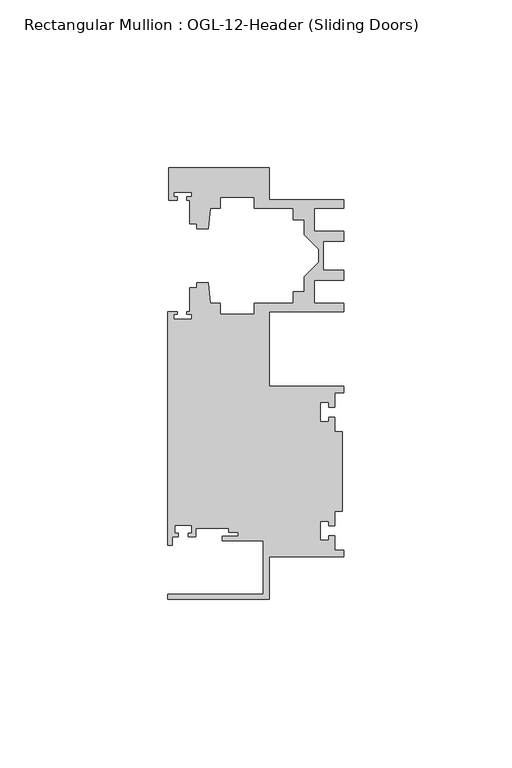
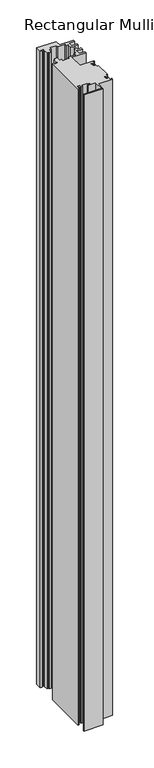
"""IFC4 building model written with IfcOpenShell, lengths in millimetres: member geometry, Rectangular Mullion : OGL-12-Header (Sliding Doors)."""

from ifc_helpers import new_model, si_unit, frame, origin, place, context, project, spatial, polyline, outline, extrude, source, transform, mapped, element, save


def rectangular_mullion_ogl_12_header_sliding_doors_c925f004(model_context):
    return source(origin(), model_context, "Body", "SweptSolid", [
        extrude(outline(polyline([(0.0, -25.4), (-22.2332898, -25.4), (-22.2332898, -38.0996792), (-52.3921824, -38.0996792), (-52.3921824, -36.512516), (-24.0747898, -36.512516), (-24.0747898, -20.5916734), (-36.2104247, -20.5916734), (-36.2104247, -19.3006707), (-31.5444935, -19.3006707), (-31.5444935, -18.1510261), (-34.2833684, -18.1510261), (-34.2833684, -16.8641675), (-44.1094055, -16.8641675), (-44.1094055, -19.4824275), (-46.3304245, -19.4824275), (-46.3304245, -18.4751625), (-45.359407, -18.4751625), (-45.359407, -15.9751675), (-50.359397, -15.9751675), (-50.359397, -18.4751625), (-49.3568347, -18.4751625), (-49.3568347, -19.4824275), (-51.1362531, -19.4824275), (-51.1362531, -21.9710976), (-52.3921824, -21.9710976), (-52.3921824, 47.583496), (-49.5910554, 47.583496), (-49.5910554, 46.7096046), (-50.6220715, 46.7096046), (-50.6220715, 45.3318149), (-45.3220715, 45.3318149), (-45.3220715, 46.7096046), (-46.769305, 46.7096046), (-46.769305, 47.583496), (-45.9710366, 47.583496), (-45.9710366, 54.6622994), (-43.7582575, 54.6622994), (-43.7582575, 56.213352), (-40.3395523, 56.213352), (-39.7961967, 50.0027691), (-36.8419772, 50.0027691), (-36.8419772, 46.838352), (-26.7462575, 46.838352), (-26.7462575, 50.013352), (-15.0768765, 50.013352), (-15.0768765, 53.413352), (-11.8582575, 53.413352), (-11.8582575, 57.8946468), (-7.4980859, 62.2548184), (-7.4980859, 66.1340176), (-11.8582575, 70.4941892), (-11.8582575, 74.975484), (-15.0768765, 74.975484), (-15.0768765, 78.375484), (-26.7462575, 78.375484), (-26.7462575, 81.550484), (-36.8419772, 81.550484), (-36.8419772, 78.3860669), (-39.7961967, 78.3860669), (-40.3395523, 72.175484), (-43.7582575, 72.175484), (-43.7582575, 73.7629518), (-45.9710366, 73.7629518), (-45.9710366, 80.7425364), (-46.8181909, 80.7425364), (-46.8181909, 81.7156466), (-45.3220715, 81.7156466), (-45.3220715, 83.0934363), (-50.6220715, 83.0934363), (-50.6220715, 81.7156466), (-49.5692346, 81.7156466), (-49.5692346, 80.7425364), (-52.2095715, 80.7425364), (-52.2095715, 90.3252352), (-22.2032575, 90.3252352), (-22.2032575, 80.875484), (-0.0082575, 80.875484), (-0.0082575, 78.375484), (-8.8582575, 78.375484), (-8.8582575, 71.5325565), (-0.0082575, 71.5325565), (-0.0082575, 68.5325565), (-6.1582575, 68.5325565), (-6.1582575, 59.8562795), (-0.0082575, 59.8562795), (-0.0082575, 56.8562795), (-8.8582575, 56.8562795), (-8.8582575, 50.013352), (-0.0082575, 50.013352), (-0.0082575, 47.513352), (-22.2332898, 47.513352), (-22.2332898, 25.4), (0.0, 25.4), (0.0, 23.488176), (-2.740223, 23.488176), (-2.740223, 19.1395859), (-4.5407068, 19.1395859), (-4.5407068, 20.5271706), (-7.0406862, 20.5271706), (-7.0406862, 14.7651725), (-4.5407047, 14.7651725), (-4.5407047, 16.1605952), (-2.740223, 16.1605952), (-2.740223, 11.8041704), (-0.508, 11.8041704), (-0.508, -11.8041704), (-2.740223, -11.8041704), (-2.740223, -16.1605952), (-4.5407047, -16.1605952), (-4.5407047, -14.7651725), (-7.0406862, -14.7651725), (-7.0406862, -20.5271706), (-4.5407068, -20.5271706), (-4.5407068, -19.1395859), (-2.740223, -19.1395859), (-2.740223, -23.488176), (0.0, -23.488176), (0.0, -25.4)])), frame((0.0, 0.0, -1054.1), z_axis=(0.0, 0.0, 1.0), x_axis=(1.0, 0.0, 0.0)), (0.0, 0.0, 1.0), 1054.1),
    ])


if __name__ == "__main__":
    model = new_model("IFC4")
    model_context = context("Model", 3, world=origin())
    ifc_project = project(units=[si_unit("LENGTHUNIT", "METRE", prefix="MILLI")], contexts=[model_context])
    site = spatial("IfcSite", under=ifc_project)
    building = spatial("IfcBuilding", under=site)
    placement = place(None, origin())
    rectangular_mullion_ogl_12_header_sliding_doors_shape = rectangular_mullion_ogl_12_header_sliding_doors_c925f004(model_context)
    element("IfcMember", 1, ObjectType="Rectangular Mullion : OGL-12-Header (Sliding Doors)", at=placement, inside=building, context=model_context, shape_type="MappedRepresentation", body=[
        mapped(rectangular_mullion_ogl_12_header_sliding_doors_shape, transform((0.0, 0.0, 0.0), x_axis=(1.0, 0.0, 0.0), y_axis=(0.0, 1.0, 0.0), z_axis=(0.0, 0.0, 1.0))),
    ])
    save(model, "model.ifc")
